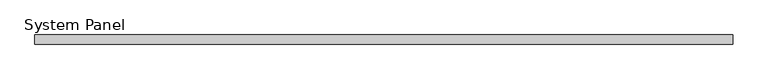
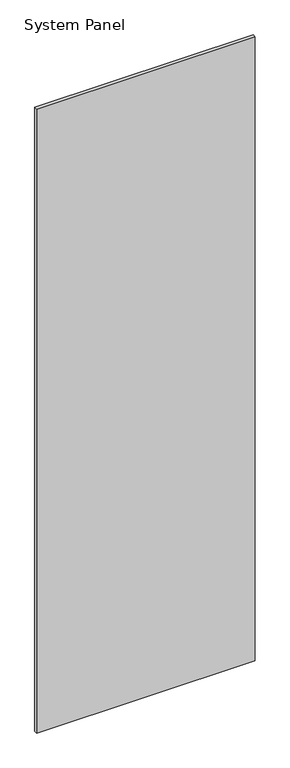
"""IFC4 building model written with IfcOpenShell, lengths in millimetres: plate geometry, System Panel."""

from ifc_helpers import new_model, si_unit, origin, origin_with_axes, place, context, project, spatial, polyline, outline, extrude, source, transform, mapped, element, save


def system_panel_faacfcb1(model_context):
    return source(origin(), model_context, "Body", "SweptSolid", [
        extrude(outline(polyline([(595.0, -8.0), (-595.0, -8.0), (-595.0, 8.0), (595.0, 8.0), (595.0, -8.0)])), origin_with_axes(), (0.0, 0.0, 1.0), 3590.0),
    ])


if __name__ == "__main__":
    model = new_model("IFC4")
    model_context = context("Model", 3, world=origin())
    ifc_project = project(units=[si_unit("LENGTHUNIT", "METRE", prefix="MILLI")], contexts=[model_context])
    site = spatial("IfcSite", under=ifc_project)
    building = spatial("IfcBuilding", under=site)
    placement = place(None, origin())
    system_panel_shape = system_panel_faacfcb1(model_context)
    element("IfcPlate", 1, ObjectType="System Panel", at=placement, inside=building, context=model_context, shape_type="MappedRepresentation", body=[
        mapped(system_panel_shape, transform((0.0, 0.0, 0.0), x_axis=(1.0, 0.0, 0.0), y_axis=(0.0, 1.0, 0.0), z_axis=(0.0, 0.0, 1.0))),
    ])
    save(model, "model.ifc")
